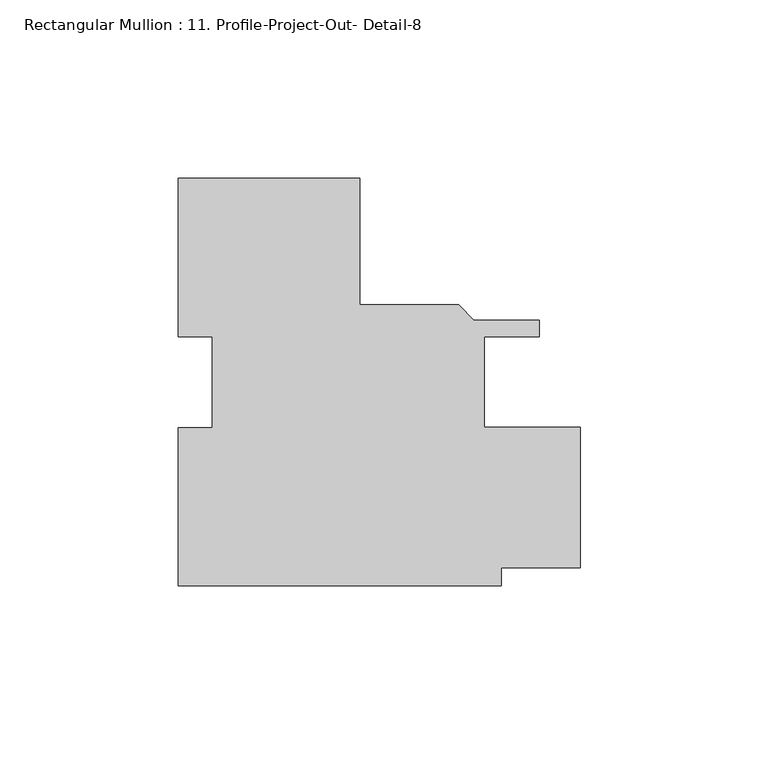
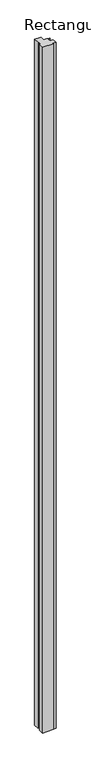
"""IFC4 building model written with IfcOpenShell, lengths in millimetres: member geometry, Rectangular Mullion : 11. Profile-Project-Out- Detail-8."""

from ifc_helpers import new_model, si_unit, frame, origin, place, context, project, spatial, polyline, outline, extrude, source, transform, mapped, element, save


def rectangular_mullion_11_profile_project_out_detail_8_bdebfd48(model_context):
    return source(origin(), model_context, "Body", "SweptSolid", [
        extrude(outline(polyline([(-25.4, -57.15), (-25.4, -12.7550661), (-15.875542, -12.7550661), (-15.875542, 12.7326322), (-25.3945923, 12.7326322), (-25.3945923, 57.15), (25.4054077, 57.15), (25.4054077, 21.6661793), (53.1949552, 21.6661793), (57.4621552, 17.3989793), (75.8261495, 17.3989793), (75.8261495, 12.6999791), (60.3435135, 12.6999791), (60.3435135, -12.7000207), (87.3125, -12.7000207), (87.3125, -52.0700207), (65.1060135, -52.0700207), (65.1060135, -57.15), (-25.4, -57.15)])), frame((0.0, 0.0, -6008.6875), z_axis=(0.0, 0.0, 1.0), x_axis=(1.0, 0.0, 0.0)), (0.0, 0.0, 1.0), 6008.6875),
    ])


if __name__ == "__main__":
    model = new_model("IFC4")
    model_context = context("Model", 3, world=origin())
    ifc_project = project(units=[si_unit("LENGTHUNIT", "METRE", prefix="MILLI")], contexts=[model_context])
    site = spatial("IfcSite", under=ifc_project)
    building = spatial("IfcBuilding", under=site)
    placement = place(None, origin())
    rectangular_mullion_11_profile_project_out_detail_8_shape = rectangular_mullion_11_profile_project_out_detail_8_bdebfd48(model_context)
    element("IfcMember", 1, ObjectType="Rectangular Mullion : 11. Profile-Project-Out- Detail-8", at=placement, inside=building, context=model_context, shape_type="MappedRepresentation", body=[
        mapped(rectangular_mullion_11_profile_project_out_detail_8_shape, transform((0.0, 0.0, 0.0), x_axis=(1.0, 0.0, 0.0), y_axis=(0.0, 1.0, 0.0), z_axis=(0.0, 0.0, 1.0))),
    ])
    save(model, "model.ifc")
